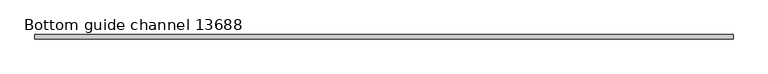
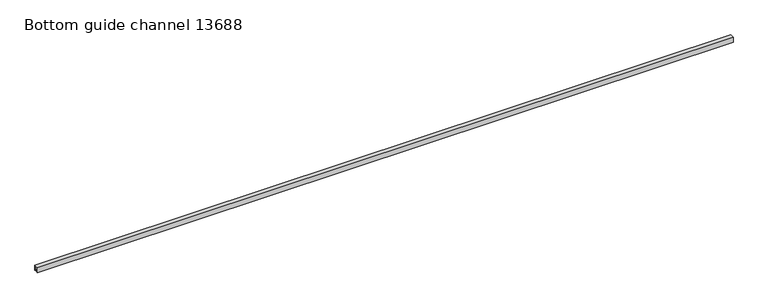
"""IFC4 building model written with IfcOpenShell, lengths in millimetres: proxy geometry, Bottom guide channel 13688."""

from ifc_helpers import new_model, si_unit, frame, origin, place, context, project, spatial, polyline, outline, extrude, source, transform, mapped, element, save


def bottom_guide_channel_13688_a6a3ac29(model_context):
    return source(origin(), model_context, "Body", "SweptSolid", [
        extrude(outline(polyline([(-14.0, 0.0), (-14.0, 32.0), (14.0, 32.0), (14.0, 0.0), (6.0, 0.0), (6.0, 3.0), (11.0, 3.0), (11.0, 29.0), (-10.9166556, 29.0), (-10.9166556, 3.0), (-6.0, 3.0), (-6.0, 0.0), (-14.0, 0.0)])), frame((0.0, 0.0, 0.0), z_axis=(1.0, 0.0, 0.0), x_axis=(0.0, 1.0, 0.0)), (0.0, 0.0, 1.0), 4400.0),
    ])


if __name__ == "__main__":
    model = new_model("IFC4")
    model_context = context("Model", 3, world=origin())
    ifc_project = project(units=[si_unit("LENGTHUNIT", "METRE", prefix="MILLI")], contexts=[model_context])
    site = spatial("IfcSite", under=ifc_project)
    building = spatial("IfcBuilding", under=site)
    placement = place(None, origin())
    bottom_guide_channel_13688_shape = bottom_guide_channel_13688_a6a3ac29(model_context)
    element("IfcBuildingElementProxy", 1, Name="Bottom guide channel 13688", ObjectType="Bottom guide channel 13688", at=placement, inside=building, context=model_context, shape_type="MappedRepresentation", body=[
        mapped(bottom_guide_channel_13688_shape, transform((0.0, 0.0, 0.0), x_axis=(1.0, 0.0, 0.0), y_axis=(0.0, 1.0, 0.0), z_axis=(0.0, 0.0, 1.0))),
    ])
    save(model, "model.ifc")
